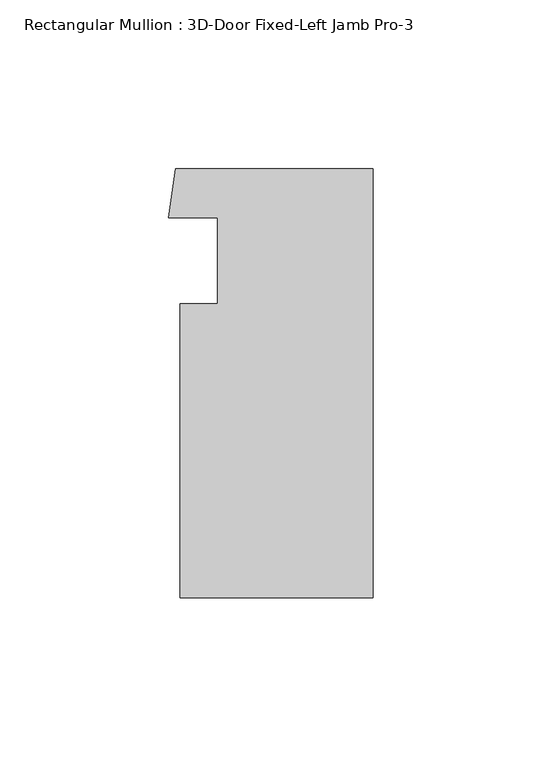
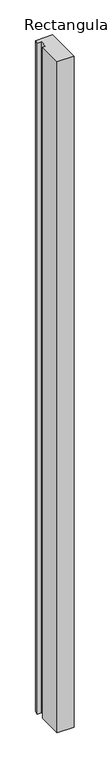
"""IFC4 building model written with IfcOpenShell, lengths in millimetres: member geometry, Rectangular Mullion : 3D-Door Fixed-Left Jamb Pro-3."""

import ifcopenshell
import ifcopenshell.guid

model = None  # the IFC model being written
_history = None  # IfcOwnerHistory: only IFC2X3 demands one
_inside = {}  # id of a spatial element -> (the spatial element, [elements in it])
_under = {}  # id of a project, library or spatial element -> (it, [spatial elements below it])
_declared = {}  # id of a project -> (the project, [libraries it declares])
_typed = {}  # id of a type object -> (the type object, [elements of that type])
_made_of = {}  # id of a material, layer set ... -> (it, [elements and type objects made of it])


def new_model(schema):
    """Start an empty IFC model of exactly this schema.

    Asked for "IFC4X3", IfcOpenShell would pick the latest addendum, in which some entities
    have other attributes; the version numbers below select the first issue.
    IFC2X3 requires an IfcOwnerHistory on every rooted entity: one is made here for all.
    """
    global model, _history
    if schema == "IFC4X3":
        model = ifcopenshell.file(schema_version=(4, 3, 0, 0))
    else:
        model = ifcopenshell.file(schema=schema)
    _inside.clear()
    _under.clear()
    _declared.clear()
    _typed.clear()
    _made_of.clear()
    _history = None
    if model.schema == "IFC2X3":
        org = make("IfcOrganization", Name="unknown")
        user = make(
            "IfcPersonAndOrganization",
            ThePerson=make("IfcPerson", FamilyName="unknown"),
            TheOrganization=org,
        )
        app = make(
            "IfcApplication",
            ApplicationDeveloper=org,
            Version="unknown",
            ApplicationFullName="unknown",
            ApplicationIdentifier="unknown",
        )
        _history = make(
            "IfcOwnerHistory",
            OwningUser=user,
            OwningApplication=app,
            ChangeAction="ADDED",
            CreationDate=0,
        )
    return model


def make(cls, **values):
    """One entity of the class cls with the attributes given. An attribute that is None is left unset."""
    return model.create_entity(
        cls, **{name: value for name, value in values.items() if value is not None}
    )


def rooted(cls, **values):
    """An entity with a GlobalId (a new one), such as an element, a storey or a relation."""
    return make(cls, GlobalId=ifcopenshell.guid.new(), OwnerHistory=_history, **values)


def si_unit(unit_type, name, prefix=None):
    """IfcSIUnit, for example si_unit("LENGTHUNIT", "METRE", prefix="MILLI")."""
    return make("IfcSIUnit", UnitType=unit_type, Prefix=prefix, Name=name)


def assignment(units):
    """IfcUnitAssignment: the units of a project."""
    return None if units is None else make("IfcUnitAssignment", Units=units)


def point(xyz):
    """IfcCartesianPoint."""
    return None if xyz is None else make("IfcCartesianPoint", Coordinates=xyz)


def direction(xyz):
    """IfcDirection."""
    return None if xyz is None else make("IfcDirection", DirectionRatios=xyz)


def frame(location, z_axis=None, x_axis=None):
    """IfcAxis2Placement3D, a coordinate frame: its origin and axes. An axis left out is left unset."""
    return make(
        "IfcAxis2Placement3D",
        Location=point(location),
        Axis=direction(z_axis),
        RefDirection=direction(x_axis),
    )


def origin():
    """The frame at (0, 0, 0) with its axes left unset."""
    return frame((0.0, 0.0, 0.0))


def place(relative_to, where):
    """IfcLocalPlacement: puts the frame where relative to a parent placement (None: the world)."""
    return make(
        "IfcLocalPlacement", PlacementRelTo=relative_to, RelativePlacement=where
    )


def context(
    kind, dimensions, precision=None, world=None, true_north=None, identifier=None
):
    """IfcGeometricRepresentationContext, for example the 3D "Model" context."""
    return make(
        "IfcGeometricRepresentationContext",
        ContextIdentifier=identifier,
        ContextType=kind,
        CoordinateSpaceDimension=dimensions,
        Precision=precision,
        WorldCoordinateSystem=world,
        TrueNorth=true_north,
    )


def project(units=None, contexts=None):
    """IfcProject with its units and contexts."""
    return rooted(
        "IfcProject",
        Name="project",
        RepresentationContexts=contexts,
        UnitsInContext=assignment(units),
    )


def spatial(cls, under=None, at=None, **own):
    """A site, building, storey or space (cls), placed at a placement, below another one or the project."""
    s = rooted(cls, ObjectPlacement=at, **own)
    if under is not None:
        _under.setdefault(under.id(), (under, []))[1].append(s)
    return s


def polyline(points):
    """IfcPolyline through the points."""
    return make("IfcPolyline", Points=[point(p) for p in points])


def outline(outer, holes=None, kind="AREA"):
    """IfcArbitraryClosedProfileDef: a profile drawn as a closed curve; with holes, ...WithVoids."""
    if holes is None:
        return make("IfcArbitraryClosedProfileDef", ProfileType=kind, OuterCurve=outer)
    return make(
        "IfcArbitraryProfileDefWithVoids",
        ProfileType=kind,
        OuterCurve=outer,
        InnerCurves=holes,
    )


def extrude(swept, where, along, depth):
    """IfcExtrudedAreaSolid: the profile swept, set in the frame where, extruded along a direction by depth."""
    return make(
        "IfcExtrudedAreaSolid",
        SweptArea=swept,
        Position=where,
        ExtrudedDirection=direction(along),
        Depth=depth,
    )


def shape(context_of_items, identifier, shape_type, items):
    """IfcShapeRepresentation: the items that make up one representation, for example the "Body"."""
    return make(
        "IfcShapeRepresentation",
        ContextOfItems=context_of_items,
        RepresentationIdentifier=identifier,
        RepresentationType=shape_type,
        Items=items,
    )


def source(mapping_origin, context_of_items, identifier, shape_type, items):
    """IfcRepresentationMap: a shape defined once, which mapped items show again and again."""
    return make(
        "IfcRepresentationMap",
        MappingOrigin=mapping_origin,
        MappedRepresentation=shape(context_of_items, identifier, shape_type, items),
    )


def transform(
    local_origin,
    x_axis=None,
    y_axis=None,
    z_axis=None,
    scale=None,
    scale2=None,
    scale3=None,
    uniform=True,
):
    """IfcCartesianTransformationOperator3D, or its non-uniform kind. x_axis, y_axis, z_axis: its Axis1, 2, 3."""
    if uniform:
        return make(
            "IfcCartesianTransformationOperator3D",
            Axis1=direction(x_axis),
            Axis2=direction(y_axis),
            LocalOrigin=point(local_origin),
            Scale=scale,
            Axis3=direction(z_axis),
        )
    return make(
        "IfcCartesianTransformationOperator3DnonUniform",
        Axis1=direction(x_axis),
        Axis2=direction(y_axis),
        LocalOrigin=point(local_origin),
        Scale=scale,
        Axis3=direction(z_axis),
        Scale2=scale2,
        Scale3=scale3,
    )


def mapped(mapping_source, mapping_target):
    """IfcMappedItem: shows the shape of a source again, moved by a transform."""
    return make(
        "IfcMappedItem", MappingSource=mapping_source, MappingTarget=mapping_target
    )


def made_of(thing, what):
    """Note that an element or type object is made of a material, layer set ...; save() writes the relation."""
    if what is not None:
        _made_of.setdefault(what.id(), (what, []))[1].append(thing)
    return thing


def element(
    cls,
    number,
    at=None,
    inside=None,
    cuts=None,
    type_object=None,
    material=None,
    context=None,
    identifier="Body",
    shape_type=None,
    held_by="IfcProductDefinitionShape",
    body=None,
    shapes=None,
    **own,
):
    """One element of the class cls, such as IfcWall. Its Tag is "e" and its number.

    at: its placement. inside: the storey or other place that contains it. cuts: it is an
    opening in that element (IfcRelVoidsElement). A single representation is given by context,
    identifier, shape_type and body (its items); several are given by shapes. held_by: the class
    of the entity that holds the representations. save() writes the other relations.
    """
    e = rooted(cls, Tag="e%d" % number, ObjectPlacement=at, **own)
    if body is not None:
        shapes = [shape(context, identifier, shape_type, body)]
    if shapes is not None:
        e.Representation = make(held_by, Representations=shapes)
    if inside is not None:
        _inside.setdefault(inside.id(), (inside, []))[1].append(e)
    if cuts is not None:
        rooted(
            "IfcRelVoidsElement", RelatingBuildingElement=cuts, RelatedOpeningElement=e
        )
    if type_object is not None:
        _typed.setdefault(type_object.id(), (type_object, []))[1].append(e)
    return made_of(e, material)


def aggregate(whole, parts):
    """IfcRelAggregates: a whole, such as a stair, and the parts it consists of."""
    return rooted("IfcRelAggregates", RelatingObject=whole, RelatedObjects=parts)


def save(model, path):
    """Write the relations noted so far, then the file.

    IfcRelAggregates (storeys below a building ...), IfcRelContainedInSpatialStructure (elements
    in a storey), IfcRelDefinesByType, IfcRelAssociatesMaterial and IfcRelDeclares: one each for
    every whole, place, type object, material and project.
    """
    for whole, parts in _under.values():
        aggregate(whole, parts)
    for where, things in _inside.values():
        rooted(
            "IfcRelContainedInSpatialStructure",
            RelatedElements=things,
            RelatingStructure=where,
        )
    for kind, things in _typed.values():
        rooted("IfcRelDefinesByType", RelatedObjects=things, RelatingType=kind)
    for what, things in _made_of.values():
        rooted("IfcRelAssociatesMaterial", RelatedObjects=things, RelatingMaterial=what)
    for by, libraries in _declared.values():
        rooted("IfcRelDeclares", RelatingContext=by, RelatedDefinitions=libraries)
    model.write(path)


def rectangular_mullion_3d_door_fixed_left_jamb_pro_3_4946d0c8(model_context):
    return source(origin(), model_context, "Body", "SweptSolid", [
        extrude(outline(polyline([(28.5749919, 53.975), (28.5749919, -73.025), (-28.575, -73.025), (-28.575, 14.071475), (-17.4625, 14.071475), (-17.4625, 39.4752066), (-31.9704711, 39.4752066), (-29.9153823, 53.975), (28.5749919, 53.975)])), frame((0.0, 0.0, -2408.73286), z_axis=(0.0, 0.0, 1.0), x_axis=(1.0, 0.0, 0.0)), (0.0, 0.0, 1.0), 2408.73286),
    ])


if __name__ == "__main__":
    model = new_model("IFC4")
    model_context = context("Model", 3, world=origin())
    ifc_project = project(units=[si_unit("LENGTHUNIT", "METRE", prefix="MILLI")], contexts=[model_context])
    site = spatial("IfcSite", under=ifc_project)
    building = spatial("IfcBuilding", under=site)
    placement = place(None, origin())
    rectangular_mullion_3d_door_fixed_left_jamb_pro_3_shape = rectangular_mullion_3d_door_fixed_left_jamb_pro_3_4946d0c8(model_context)
    element("IfcMember", 1, ObjectType="Rectangular Mullion : 3D-Door Fixed-Left Jamb Pro-3", at=placement, inside=building, context=model_context, shape_type="MappedRepresentation", body=[
        mapped(rectangular_mullion_3d_door_fixed_left_jamb_pro_3_shape, transform((0.0, 0.0, 0.0), x_axis=(1.0, 0.0, 0.0), y_axis=(0.0, 1.0, 0.0), z_axis=(0.0, 0.0, 1.0))),
    ])
    save(model, "model.ifc")
